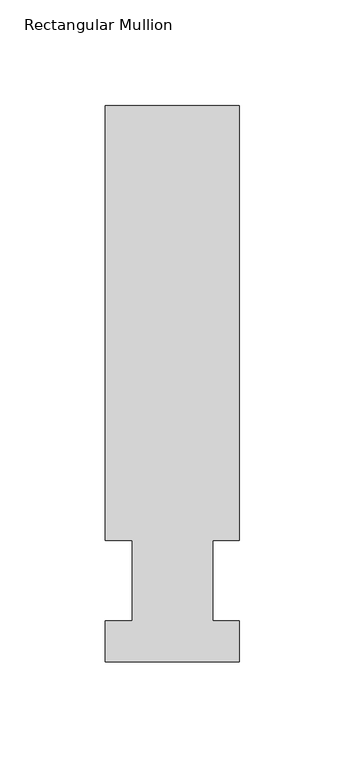
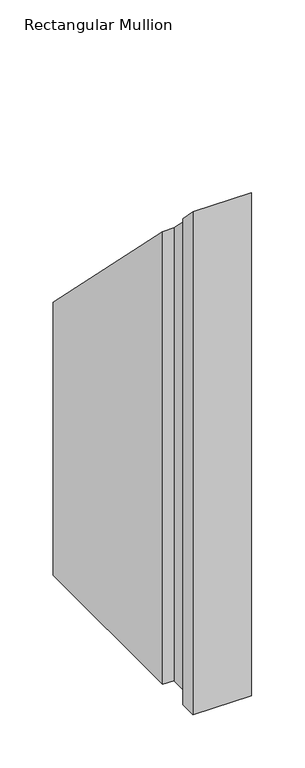
"""IFC4 building model written with IfcOpenShell, lengths in millimetres: member geometry, Rectangular Mullion."""

from ifc_helpers import new_model, si_unit, origin, place, context, project, spatial, faceted_brep, source, transform, mapped, element, save


def rectangular_mullion_0f3d9e1a(model_context):
    return source(origin(), model_context, "Body", "Brep", [
        faceted_brep([(-63.5, 57.6460937, -577.81825), (-63.5, 264.0210938, -577.81825), (0.0, 264.0210938, -577.81825), (0.0, 57.6460938, -577.81825), (-12.6873, 57.6460938, -577.81825), (-12.6873, 19.5460938, -577.81825), (0.0, 19.5460938, -577.81825), (0.0, 0.0134938, -577.81825), (-63.5, 0.0134938, -577.81825), (-63.5, 19.5460938, -577.81825), (-50.8, 19.5460938, -577.81825), (-50.8, 57.6460937, -577.81825), (-50.8, 57.6460937, -57.6460937), (-63.5, 57.6460937, -57.6460937), (-50.8, 19.5460938, -19.5460938), (-63.5, 19.5460938, -19.5460938), (-63.5, 0.0134938, -0.0134938), (0.0, 0.0134938, -0.0134938), (0.0, 19.5460938, -19.5460938), (-12.6873, 19.5460938, -19.5460938), (-12.6873, 57.6460938, -57.6460937), (0.0, 57.6460938, -57.6460937), (0.0, 264.0210938, -264.0210937), (-63.5, 264.0210938, -264.0210937)], [[[0, 1, 2, 3, 4, 5, 6, 7, 8, 9, 10, 11]], [[12, 13, 0, 11]], [[14, 12, 11, 10]], [[15, 14, 10, 9]], [[16, 15, 9, 8]], [[17, 16, 8, 7]], [[18, 17, 7, 6]], [[19, 18, 6, 5]], [[20, 19, 5, 4]], [[21, 20, 4, 3]], [[22, 21, 3, 2]], [[23, 22, 2, 1]], [[13, 23, 1, 0]], [[13, 12, 14, 15, 16, 17, 18, 19, 20, 21, 22, 23]]]),
    ])


if __name__ == "__main__":
    model = new_model("IFC4")
    model_context = context("Model", 3, world=origin())
    ifc_project = project(units=[si_unit("LENGTHUNIT", "METRE", prefix="MILLI")], contexts=[model_context])
    site = spatial("IfcSite", under=ifc_project)
    building = spatial("IfcBuilding", under=site)
    placement = place(None, origin())
    rectangular_mullion_shape = rectangular_mullion_0f3d9e1a(model_context)
    element("IfcMember", 1, ObjectType="Rectangular Mullion", at=placement, inside=building, context=model_context, shape_type="MappedRepresentation", body=[
        mapped(rectangular_mullion_shape, transform((0.0, 0.0, 0.0), x_axis=(1.0, 0.0, 0.0), y_axis=(0.0, 1.0, 0.0), z_axis=(0.0, 0.0, 1.0))),
    ])
    save(model, "model.ifc")
